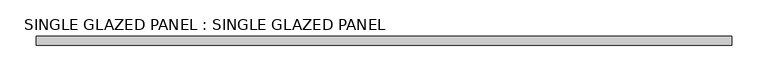
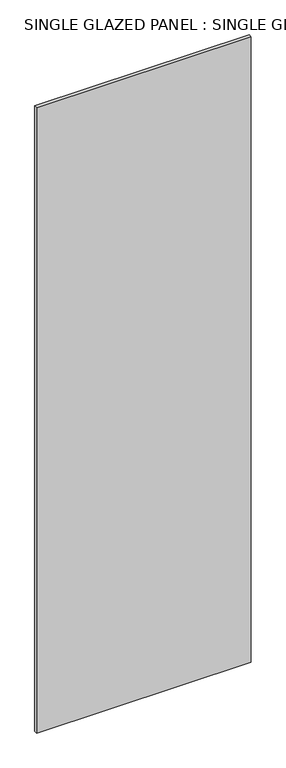
"""IFC4 building model written with IfcOpenShell, lengths in millimetres: plate geometry, SINGLE GLAZED PANEL : SINGLE GLAZED PANEL."""

from ifc_helpers import new_model, si_unit, origin, origin_with_axes, place, context, project, spatial, polyline, outline, extrude, source, transform, mapped, element, save


def single_glazed_panel_single_glazed_panel_f702ba2e(model_context):
    return source(origin(), model_context, "Body", "SweptSolid", [
        extrude(outline(polyline([(481.80625, 6.35), (481.80625, -6.35), (-481.80625, -6.35), (-481.80625, 6.35), (481.80625, 6.35)])), origin_with_axes(), (0.0, 0.0, 1.0), 2968.625),
    ])


if __name__ == "__main__":
    model = new_model("IFC4")
    model_context = context("Model", 3, world=origin())
    ifc_project = project(units=[si_unit("LENGTHUNIT", "METRE", prefix="MILLI")], contexts=[model_context])
    site = spatial("IfcSite", under=ifc_project)
    building = spatial("IfcBuilding", under=site)
    placement = place(None, origin())
    single_glazed_panel_single_glazed_panel_shape = single_glazed_panel_single_glazed_panel_f702ba2e(model_context)
    element("IfcPlate", 1, ObjectType="SINGLE GLAZED PANEL : SINGLE GLAZED PANEL", at=placement, inside=building, context=model_context, shape_type="MappedRepresentation", body=[
        mapped(single_glazed_panel_single_glazed_panel_shape, transform((0.0, 0.0, 0.0), x_axis=(1.0, 0.0, 0.0), y_axis=(0.0, 1.0, 0.0), z_axis=(0.0, 0.0, 1.0))),
    ])
    save(model, "model.ifc")
